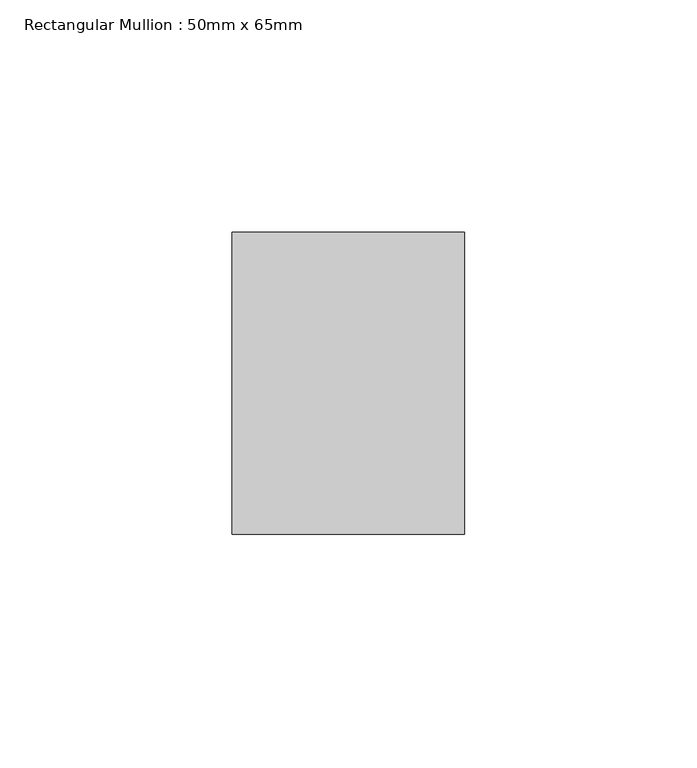
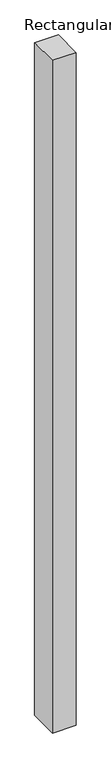
"""IFC4 building model written with IfcOpenShell, lengths in millimetres: member geometry, Rectangular Mullion : 50mm x 65mm."""

from ifc_helpers import new_model, si_unit, origin, place, context, project, spatial, faceted_brep, source, transform, mapped, element, save


def rectangular_mullion_50mm_x_65mm_ee1b49ff(model_context):
    return source(origin(), model_context, "Body", "Brep", [
        faceted_brep([(-25.0, 32.5, -0.0443372), (25.0, 32.5, -0.0443369), (25.0, 32.5, -1499.9019478), (-25.0, 32.5, -1499.9019473), (-25.0, -32.5, 0.0443369), (-25.0, -32.5, -1500.0981256), (25.0, -32.5, 0.0443372), (25.0, -32.5, -1500.0981262)], [[[0, 1, 2, 3]], [[4, 0, 3, 5]], [[6, 4, 5, 7]], [[1, 6, 7, 2]], [[1, 0, 4, 6]], [[2, 7, 5, 3]]]),
    ])


if __name__ == "__main__":
    model = new_model("IFC4")
    model_context = context("Model", 3, world=origin())
    ifc_project = project(units=[si_unit("LENGTHUNIT", "METRE", prefix="MILLI")], contexts=[model_context])
    site = spatial("IfcSite", under=ifc_project)
    building = spatial("IfcBuilding", under=site)
    placement = place(None, origin())
    rectangular_mullion_50mm_x_65mm_shape = rectangular_mullion_50mm_x_65mm_ee1b49ff(model_context)
    element("IfcMember", 1, ObjectType="Rectangular Mullion : 50mm x 65mm", at=placement, inside=building, context=model_context, shape_type="MappedRepresentation", body=[
        mapped(rectangular_mullion_50mm_x_65mm_shape, transform((0.0, 0.0, 0.0), x_axis=(1.0, 0.0, 0.0), y_axis=(0.0, 1.0, 0.0), z_axis=(0.0, 0.0, 1.0))),
    ])
    save(model, "model.ifc")
